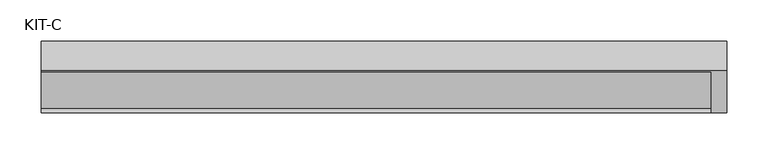
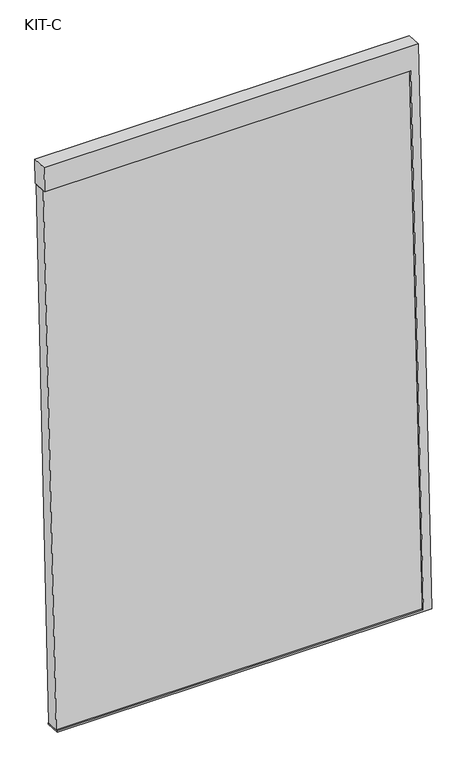
"""IFC4 building model written with IfcOpenShell, lengths in millimetres: plate geometry, KIT-C."""

from ifc_helpers import new_model, si_unit, frame, origin, place, context, project, spatial, polyline, outline, extrude, source, transform, mapped, element, save


def kit_c_5bf55fdd(model_context):
    return source(origin(), model_context, "Body", "SweptSolid", [
        extrude(outline(polyline([(27.4505712, -1754.0), (0.0, -1754.0), (0.0, -941.5), (27.4505712, -941.5), (27.4505712, -1754.0)])), frame((-877.0, -68.9260812, -49.4638085), z_axis=(0.0, 0.03973683410233643, 0.9992101801000245), x_axis=(0.0, 0.9992101801000245, -0.03973683410233643)), (0.0, 0.0, 1.0), 1236.5315929),
        extrude(outline(polyline([(0.0, -1791.0), (-1295.0000001, -1791.0), (-1295.0000001, -960.0), (-1291.531593, -960.0), (-1291.531593, -1772.5), (-55.0, -1772.5), (-55.0, -960.0), (0.0, -960.0), (0.0, -1791.0)])), frame((-895.5, 12.3716008, 1239.8556021), z_axis=(0.0, -0.9992101801000246, 0.039736834102334216), x_axis=(0.0, 0.039736834102334216, 0.9992101801000246)), (0.0, 0.0, 1.0), 35.0),
    ])


if __name__ == "__main__":
    model = new_model("IFC4")
    model_context = context("Model", 3, world=origin())
    ifc_project = project(units=[si_unit("LENGTHUNIT", "METRE", prefix="MILLI")], contexts=[model_context])
    site = spatial("IfcSite", under=ifc_project)
    building = spatial("IfcBuilding", under=site)
    placement = place(None, origin())
    kit_c_shape = kit_c_5bf55fdd(model_context)
    element("IfcPlate", 1, ObjectType="KIT-C", at=placement, inside=building, context=model_context, shape_type="MappedRepresentation", body=[
        mapped(kit_c_shape, transform((0.0, 0.0, 0.0), x_axis=(1.0, 0.0, 0.0), y_axis=(0.0, 1.0, 0.0), z_axis=(0.0, 0.0, 1.0))),
    ])
    save(model, "model.ifc")
